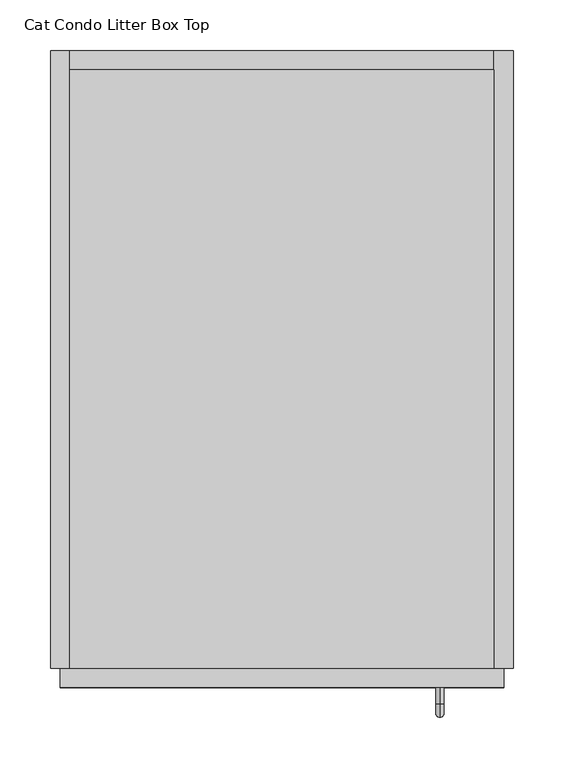
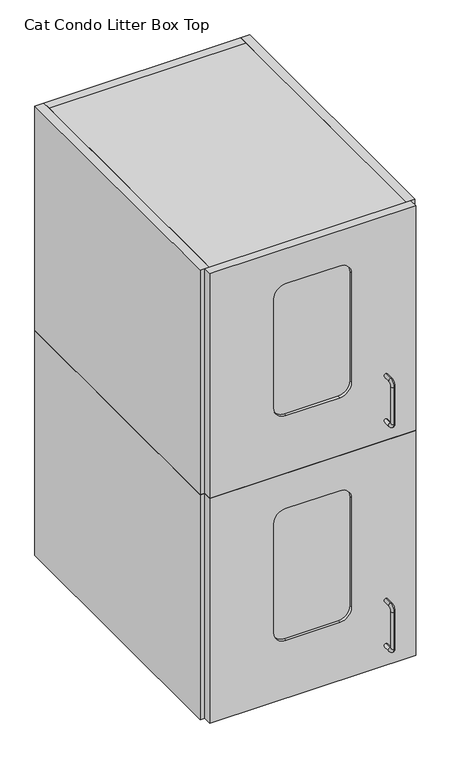
"""IFC4 building model written with IfcOpenShell, lengths in millimetres: proxy geometry, Cat Condo Litter Box Top."""

from ifc_helpers import new_model, si_unit, point, frame, frame_2d, origin, origin_with_axes, place, context, project, spatial, polyline, circle_curve, ellipse_curve, trimmed, segment, composite_curve, outline, extrude, source, transform, mapped, element, save
from ifc_brep_helpers import plane_surface, cylinder_surface, revolved_surface, advanced_brep


def cat_condo_litter_box_top_dac34a80(model_context):
    return source(origin(), model_context, "Body", "SolidModel", [
        advanced_brep(
        [(384.5819084, -19.05, 142.1243154), (384.5819084, -19.05, 149.9756846), (384.5819084, -35.2117768, 142.1243154), (384.5819084, -35.2117768, 149.9756846), (384.5819084, -48.3756846, 136.8117768), (384.5819084, -40.5243154, 136.8117768), (384.5819084, -40.5243154, 53.6882232), (384.5819084, -48.3756846, 53.6882232), (384.5819084, -35.2117768, 40.5243154), (384.5819084, -35.2117768, 48.3756846), (384.5819084, -19.05, 48.3756846), (384.5819084, -19.05, 40.5243154)],
        [
            (0, 1, circle_curve(frame((384.5819084, -19.05, 146.05), z_axis=(0.0, 1.0, 0.0), x_axis=(0.0, 0.0, 1.0)), 3.9256846)),
            (1, 0, circle_curve(frame((384.5819084, -19.05, 146.05), z_axis=(0.0, 1.0, 0.0), x_axis=(0.0, 0.0, 1.0)), 3.9256846)),
            (0, 2),
            (2, 3, circle_curve(frame((384.5819084, -35.2117768, 146.05), z_axis=(0.0, 1.0, 0.0), x_axis=(0.0, 0.0, 1.0)), 3.9256846)),
            (3, 1),
            (3, 2, circle_curve(frame((384.5819084, -35.2117768, 146.05), z_axis=(0.0, 1.0, 0.0), x_axis=(0.0, 0.0, 1.0)), 3.9256846)),
            (4, 3, circle_curve(frame((384.5819084, -35.2117768, 136.8117768), z_axis=(-1.0, 0.0, 0.0), x_axis=(0.0, 0.0, 1.0)), 13.1639078)),
            (2, 5, circle_curve(frame((384.5819084, -35.2117768, 136.8117768), z_axis=(1.0, 0.0, 0.0), x_axis=(0.0, 0.0, 1.0)), 5.3125387)),
            (5, 4, circle_curve(frame((384.5819084, -44.45, 136.8117768), z_axis=(0.0, 0.0, 1.0), x_axis=(0.0, -1.0000000000000002, 0.0)), 3.9256846)),
            (4, 5, circle_curve(frame((384.5819084, -44.45, 136.8117768), z_axis=(0.0, 0.0, 1.0), x_axis=(0.0, -1.0000000000000002, 0.0)), 3.9256846)),
            (5, 6),
            (6, 7, circle_curve(frame((384.5819084, -44.45, 53.6882232), z_axis=(0.0, 0.0, 1.0), x_axis=(0.0, -1.0000000000000002, 0.0)), 3.9256846)),
            (7, 4),
            (7, 6, circle_curve(frame((384.5819084, -44.45, 53.6882232), z_axis=(0.0, 0.0, 1.0), x_axis=(0.0, -1.0000000000000002, 0.0)), 3.9256846)),
            (8, 7, circle_curve(frame((384.5819084, -35.2117768, 53.6882232), z_axis=(-1.0, 0.0, 0.0), x_axis=(0.0, -1.0000000000000002, 0.0)), 13.1639078)),
            (6, 9, circle_curve(frame((384.5819084, -35.2117768, 53.6882232), z_axis=(1.0, 0.0, 0.0), x_axis=(0.0, -1.0000000000000002, 0.0)), 5.3125387)),
            (9, 8, circle_curve(frame((384.5819084, -35.2117768, 44.45), z_axis=(0.0, -1.0000000000000002, 0.0), x_axis=(0.0, 0.0, -1.0)), 3.9256846)),
            (8, 9, circle_curve(frame((384.5819084, -35.2117768, 44.45), z_axis=(0.0, -1.0000000000000002, 0.0), x_axis=(0.0, 0.0, -1.0)), 3.9256846)),
            (10, 11, circle_curve(frame((384.5819084, -19.05, 44.45), z_axis=(0.0, 1.0, 0.0), x_axis=(0.0, 0.0, -1.0)), 3.9256846)),
            (11, 10, circle_curve(frame((384.5819084, -19.05, 44.45), z_axis=(0.0, 1.0, 0.0), x_axis=(0.0, 0.0, -1.0)), 3.9256846)),
            (9, 10),
            (11, 8),
        ],
        [
            plane_surface(frame((384.5819084, -19.05, 146.05), z_axis=(0.0, 1.0, 0.0), x_axis=(1.0, 0.0, 0.0))),
            cylinder_surface(frame((384.5819084, -19.05, 146.05), z_axis=(0.0, 1.0000000000000002, 0.0), x_axis=(0.0, 0.0, 1.0)), 3.9256846),
            revolved_surface(trimmed(ellipse_curve(frame((384.5819084, -35.2117768, 146.05), z_axis=(0.0, 1.0000000000000002, 0.0), x_axis=(0.0, 0.0, 1.0)), 3.9256846, 3.9256846), [point((384.5819084, -35.2117768, 142.1243154))], [point((384.5819084, -35.2117768, 149.9756846))], True, "CARTESIAN"), (384.5819084, -35.2117768, 136.8117768), (1.0000000000000002, 0.0, 0.0)),
            revolved_surface(trimmed(ellipse_curve(frame((384.5819084, -35.2117768, 146.05), z_axis=(0.0, 1.0000000000000002, 0.0), x_axis=(0.0, 0.0, 1.0)), 3.9256846, 3.9256846), [point((384.5819084, -35.2117768, 149.9756846))], [point((384.5819084, -35.2117768, 142.1243154))], True, "CARTESIAN"), (384.5819084, -35.2117768, 136.8117768), (1.0000000000000002, 0.0, 0.0)),
            cylinder_surface(frame((384.5819084, -44.45, 136.8117768), z_axis=(0.0, 0.0, 1.0), x_axis=(0.0, -1.0000000000000002, 0.0)), 3.9256846),
            revolved_surface(trimmed(ellipse_curve(frame((384.5819084, -44.45, 53.6882232), z_axis=(0.0, 0.0, 1.0), x_axis=(0.0, -1.0000000000000002, 0.0)), 3.9256846, 3.9256846), [point((384.5819084, -40.5243154, 53.6882232))], [point((384.5819084, -48.3756846, 53.6882232))], True, "CARTESIAN"), (384.5819084, -35.2117768, 53.6882232), (1.0000000000000002, 0.0, 0.0)),
            revolved_surface(trimmed(ellipse_curve(frame((384.5819084, -44.45, 53.6882232), z_axis=(0.0, 0.0, 1.0), x_axis=(0.0, -1.0000000000000002, 0.0)), 3.9256846, 3.9256846), [point((384.5819084, -48.3756846, 53.6882232))], [point((384.5819084, -40.5243154, 53.6882232))], True, "CARTESIAN"), (384.5819084, -35.2117768, 53.6882232), (1.0000000000000002, 0.0, 0.0)),
            plane_surface(frame((384.5819084, -19.05, 44.45), z_axis=(0.0, 1.0, 0.0), x_axis=(1.0, 0.0, 0.0))),
            cylinder_surface(frame((384.5819084, -35.2117768, 44.45), z_axis=(0.0, -1.0000000000000002, 0.0), x_axis=(0.0, 0.0, -1.0)), 3.9256846),
        ],
        [
            (0, [[1, 2]]),
            (1, [[-1, 3, 4, 5]]),
            (1, [[-2, -5, 6, -3]]),
            (2, [[7, -4, 8, 9]]),
            (3, [[-8, -6, -7, 10]]),
            (4, [[-9, 11, 12, 13]]),
            (4, [[-10, -13, 14, -11]]),
            (5, [[15, -12, 16, 17]]),
            (6, [[-16, -14, -15, 18]]),
            (7, [[19, 20]]),
            (8, [[-17, 21, -20, 22]]),
            (8, [[-18, -22, -19, -21]]),
        ],
    ),
        extrude(outline(polyline([(438.15, 590.55), (438.15, 0.0), (19.05, 0.0), (19.05, 590.55), (438.15, 590.55)])), frame((0.0, 0.0, 487.3625), z_axis=(0.0, 0.0, 1.0), x_axis=(1.0, 0.0, 0.0)), (0.0, 0.0, 1.0), 19.05),
        extrude(outline(polyline([(438.15, 0.0), (19.05, 0.0), (19.05, 590.55), (438.15, 590.55), (438.15, 0.0)])), origin_with_axes(), (0.0, 0.0, 1.0), 19.05),
        extrude(outline(polyline([(438.15, 609.6), (457.2, 609.6), (457.2, 0.0), (438.15, 0.0), (438.15, 609.6)])), origin_with_axes(), (0.0, 0.0, 1.0), 506.4125),
        extrude(outline(polyline([(438.15, 609.6), (438.15, 590.55), (19.05, 590.55), (19.05, 609.6), (438.15, 609.6)])), origin_with_axes(), (0.0, 0.0, 1.0), 506.4125),
        extrude(outline(polyline([(19.05, 609.6), (19.05, 0.0), (0.0, 0.0), (0.0, 609.6), (19.05, 609.6)])), origin_with_axes(), (0.0, 0.0, 1.0), 506.4125),
        extrude(outline(composite_curve([segment(polyline([(427.0375, 285.75), (427.0375, 171.45)]), True, "CONTINUOUS"), segment(trimmed(circle_curve(frame_2d((401.6375, 171.45)), 25.4), [point((427.0375, 171.45))], [point((401.6375, 146.05))], False, "CARTESIAN"), True, "CONTINUOUS"), segment(polyline([(401.6375, 146.05), (155.575, 146.05)]), True, "CONTINUOUS"), segment(trimmed(circle_curve(frame_2d((155.575, 171.45)), 25.4), [point((155.575, 146.05))], [point((130.175, 171.45))], False, "CARTESIAN"), True, "CONTINUOUS"), segment(polyline([(130.175, 171.45), (130.175, 285.75)]), True, "CONTINUOUS"), segment(trimmed(circle_curve(frame_2d((155.575, 285.75)), 25.4), [point((130.175, 285.75))], [point((155.575, 311.15))], False, "CARTESIAN"), True, "CONTINUOUS"), segment(polyline([(155.575, 311.15), (401.6375, 311.15)]), True, "CONTINUOUS"), segment(trimmed(circle_curve(frame_2d((401.6375, 285.75)), 25.4), [point((401.6375, 311.15))], [point((427.0375, 285.75))], False, "CARTESIAN"), True, "CONTINUOUS")], self_intersect=False)), frame((0.0, -12.7, 0.0), z_axis=(0.0, 1.0, 0.0), x_axis=(0.0, 0.0, 1.0)), (0.0, 0.0, 1.0), 6.35),
        extrude(outline(polyline([(506.4125, 447.675), (506.4125, 9.525), (0.0, 9.525), (0.0, 447.675), (506.4125, 447.675)]), holes=[composite_curve([segment(polyline([(427.0375, 171.45), (427.0375, 285.75)]), True, "CONTINUOUS"), segment(trimmed(circle_curve(frame_2d((401.6375, 285.75)), 25.4), [point((427.0375, 285.75))], [point((401.6375, 311.15))], True, "CARTESIAN"), True, "CONTINUOUS"), segment(polyline([(401.6375, 311.15), (155.575, 311.15)]), True, "CONTINUOUS"), segment(trimmed(circle_curve(frame_2d((155.575, 285.75)), 25.4), [point((155.575, 311.15))], [point((130.175, 285.75))], True, "CARTESIAN"), True, "CONTINUOUS"), segment(polyline([(130.175, 285.75), (130.175, 171.45)]), True, "CONTINUOUS"), segment(trimmed(circle_curve(frame_2d((155.575, 171.45)), 25.4), [point((130.175, 171.45))], [point((155.575, 146.05))], True, "CARTESIAN"), True, "CONTINUOUS"), segment(polyline([(155.575, 146.05), (401.6375, 146.05)]), True, "CONTINUOUS"), segment(trimmed(circle_curve(frame_2d((401.6375, 171.45)), 25.4), [point((401.6375, 146.05))], [point((427.0375, 171.45))], True, "CARTESIAN"), True, "CONTINUOUS")], self_intersect=False)]), frame((0.0, -19.05, 0.0), z_axis=(0.0, 1.0, 0.0), x_axis=(0.0, 0.0, 1.0)), (0.0, 0.0, 1.0), 19.05),
        advanced_brep(
        [(384.5819084, -19.05, 648.5368154), (384.5819084, -19.05, 656.3881846), (384.5819084, -35.2117768, 648.5368154), (384.5819084, -35.2117768, 656.3881846), (384.5819084, -48.3756846, 643.2242768), (384.5819084, -40.5243154, 643.2242768), (384.5819084, -40.5243154, 560.1007232), (384.5819084, -48.3756846, 560.1007232), (384.5819084, -35.2117768, 546.9368154), (384.5819084, -35.2117768, 554.7881846), (384.5819084, -19.05, 554.7881846), (384.5819084, -19.05, 546.9368154)],
        [
            (0, 1, circle_curve(frame((384.5819084, -19.05, 652.4625), z_axis=(0.0, 1.0, 0.0), x_axis=(0.0, 0.0, 1.0)), 3.9256846)),
            (1, 0, circle_curve(frame((384.5819084, -19.05, 652.4625), z_axis=(0.0, 1.0, 0.0), x_axis=(0.0, 0.0, 1.0)), 3.9256846)),
            (0, 2),
            (2, 3, circle_curve(frame((384.5819084, -35.2117768, 652.4625), z_axis=(0.0, 1.0, 0.0), x_axis=(0.0, 0.0, 1.0)), 3.9256846)),
            (3, 1),
            (3, 2, circle_curve(frame((384.5819084, -35.2117768, 652.4625), z_axis=(0.0, 1.0, 0.0), x_axis=(0.0, 0.0, 1.0)), 3.9256846)),
            (4, 3, circle_curve(frame((384.5819084, -35.2117768, 643.2242768), z_axis=(-1.0, 0.0, 0.0), x_axis=(0.0, 0.0, 1.0)), 13.1639078)),
            (2, 5, circle_curve(frame((384.5819084, -35.2117768, 643.2242768), z_axis=(1.0, 0.0, 0.0), x_axis=(0.0, 0.0, 1.0)), 5.3125387)),
            (5, 4, circle_curve(frame((384.5819084, -44.45, 643.2242768), z_axis=(0.0, 0.0, 1.0), x_axis=(0.0, -1.0000000000000002, 0.0)), 3.9256846)),
            (4, 5, circle_curve(frame((384.5819084, -44.45, 643.2242768), z_axis=(0.0, 0.0, 1.0), x_axis=(0.0, -1.0000000000000002, 0.0)), 3.9256846)),
            (5, 6),
            (6, 7, circle_curve(frame((384.5819084, -44.45, 560.1007232), z_axis=(0.0, 0.0, 1.0), x_axis=(0.0, -1.0000000000000002, 0.0)), 3.9256846)),
            (7, 4),
            (7, 6, circle_curve(frame((384.5819084, -44.45, 560.1007232), z_axis=(0.0, 0.0, 1.0), x_axis=(0.0, -1.0000000000000002, 0.0)), 3.9256846)),
            (8, 7, circle_curve(frame((384.5819084, -35.2117768, 560.1007232), z_axis=(-1.0, 0.0, 0.0), x_axis=(0.0, -1.0000000000000002, 0.0)), 13.1639078)),
            (6, 9, circle_curve(frame((384.5819084, -35.2117768, 560.1007232), z_axis=(1.0, 0.0, 0.0), x_axis=(0.0, -1.0000000000000002, 0.0)), 5.3125387)),
            (9, 8, circle_curve(frame((384.5819084, -35.2117768, 550.8625), z_axis=(0.0, -1.0000000000000002, 0.0), x_axis=(0.0, 0.0, -1.0)), 3.9256846)),
            (8, 9, circle_curve(frame((384.5819084, -35.2117768, 550.8625), z_axis=(0.0, -1.0000000000000002, 0.0), x_axis=(0.0, 0.0, -1.0)), 3.9256846)),
            (10, 11, circle_curve(frame((384.5819084, -19.05, 550.8625), z_axis=(0.0, 1.0, 0.0), x_axis=(0.0, 0.0, -1.0)), 3.9256846)),
            (11, 10, circle_curve(frame((384.5819084, -19.05, 550.8625), z_axis=(0.0, 1.0, 0.0), x_axis=(0.0, 0.0, -1.0)), 3.9256846)),
            (9, 10),
            (11, 8),
        ],
        [
            plane_surface(frame((384.5819084, -19.05, 652.4625), z_axis=(0.0, 1.0, 0.0), x_axis=(1.0, 0.0, 0.0))),
            cylinder_surface(frame((384.5819084, -19.05, 652.4625), z_axis=(0.0, 1.0000000000000002, 0.0), x_axis=(0.0, 0.0, 1.0)), 3.9256846),
            revolved_surface(trimmed(ellipse_curve(frame((384.5819084, -35.2117768, 652.4625), z_axis=(0.0, 1.0000000000000002, 0.0), x_axis=(0.0, 0.0, 1.0)), 3.9256846, 3.9256846), [point((384.5819084, -35.2117768, 648.5368154))], [point((384.5819084, -35.2117768, 656.3881846))], True, "CARTESIAN"), (384.5819084, -35.2117768, 643.2242768), (1.0000000000000002, 0.0, 0.0)),
            revolved_surface(trimmed(ellipse_curve(frame((384.5819084, -35.2117768, 652.4625), z_axis=(0.0, 1.0000000000000002, 0.0), x_axis=(0.0, 0.0, 1.0)), 3.9256846, 3.9256846), [point((384.5819084, -35.2117768, 656.3881846))], [point((384.5819084, -35.2117768, 648.5368154))], True, "CARTESIAN"), (384.5819084, -35.2117768, 643.2242768), (1.0000000000000002, 0.0, 0.0)),
            cylinder_surface(frame((384.5819084, -44.45, 643.2242768), z_axis=(0.0, 0.0, 1.0), x_axis=(0.0, -1.0000000000000002, 0.0)), 3.9256846),
            revolved_surface(trimmed(ellipse_curve(frame((384.5819084, -44.45, 560.1007232), z_axis=(0.0, 0.0, 1.0), x_axis=(0.0, -1.0000000000000002, 0.0)), 3.9256846, 3.9256846), [point((384.5819084, -40.5243154, 560.1007232))], [point((384.5819084, -48.3756846, 560.1007232))], True, "CARTESIAN"), (384.5819084, -35.2117768, 560.1007232), (1.0000000000000002, 0.0, 0.0)),
            revolved_surface(trimmed(ellipse_curve(frame((384.5819084, -44.45, 560.1007232), z_axis=(0.0, 0.0, 1.0), x_axis=(0.0, -1.0000000000000002, 0.0)), 3.9256846, 3.9256846), [point((384.5819084, -48.3756846, 560.1007232))], [point((384.5819084, -40.5243154, 560.1007232))], True, "CARTESIAN"), (384.5819084, -35.2117768, 560.1007232), (1.0000000000000002, 0.0, 0.0)),
            plane_surface(frame((384.5819084, -19.05, 550.8625), z_axis=(0.0, 1.0, 0.0), x_axis=(1.0, 0.0, 0.0))),
            cylinder_surface(frame((384.5819084, -35.2117768, 550.8625), z_axis=(0.0, -1.0000000000000002, 0.0), x_axis=(0.0, 0.0, -1.0)), 3.9256846),
        ],
        [
            (0, [[1, 2]]),
            (1, [[-1, 3, 4, 5]]),
            (1, [[-2, -5, 6, -3]]),
            (2, [[7, -4, 8, 9]]),
            (3, [[-8, -6, -7, 10]]),
            (4, [[-9, 11, 12, 13]]),
            (4, [[-10, -13, 14, -11]]),
            (5, [[15, -12, 16, 17]]),
            (6, [[-16, -14, -15, 18]]),
            (7, [[19, 20]]),
            (8, [[-17, 21, -20, 22]]),
            (8, [[-18, -22, -19, -21]]),
        ],
    ),
        extrude(outline(polyline([(438.15, 590.55), (438.15, 0.0), (19.05, 0.0), (19.05, 590.55), (438.15, 590.55)])), frame((0.0, 0.0, 993.775), z_axis=(0.0, 0.0, 1.0), x_axis=(1.0, 0.0, 0.0)), (0.0, 0.0, 1.0), 19.05),
        extrude(outline(polyline([(438.15, 0.0), (19.05, 0.0), (19.05, 590.55), (438.15, 590.55), (438.15, 0.0)])), frame((0.0, 0.0, 506.4125), z_axis=(0.0, 0.0, 1.0), x_axis=(1.0, 0.0, 0.0)), (0.0, 0.0, 1.0), 19.05),
        extrude(outline(polyline([(438.15, 609.6), (457.2, 609.6), (457.2, 0.0), (438.15, 0.0), (438.15, 609.6)])), frame((0.0, 0.0, 506.4125), z_axis=(0.0, 0.0, 1.0), x_axis=(1.0, 0.0, 0.0)), (0.0, 0.0, 1.0), 506.4125),
        extrude(outline(polyline([(438.15, 609.6), (438.15, 590.55), (19.05, 590.55), (19.05, 609.6), (438.15, 609.6)])), frame((0.0, 0.0, 506.4125), z_axis=(0.0, 0.0, 1.0), x_axis=(1.0, 0.0, 0.0)), (0.0, 0.0, 1.0), 506.4125),
        extrude(outline(polyline([(19.05, 609.6), (19.05, 0.0), (0.0, 0.0), (0.0, 609.6), (19.05, 609.6)])), frame((0.0, 0.0, 506.4125), z_axis=(0.0, 0.0, 1.0), x_axis=(1.0, 0.0, 0.0)), (0.0, 0.0, 1.0), 506.4125),
        extrude(outline(composite_curve([segment(polyline([(933.45, 285.75), (933.45, 171.45)]), True, "CONTINUOUS"), segment(trimmed(circle_curve(frame_2d((908.05, 171.45)), 25.4), [point((933.45, 171.45))], [point((908.05, 146.05))], False, "CARTESIAN"), True, "CONTINUOUS"), segment(polyline([(908.05, 146.05), (661.9875, 146.05)]), True, "CONTINUOUS"), segment(trimmed(circle_curve(frame_2d((661.9875, 171.45)), 25.4), [point((661.9875, 146.05))], [point((636.5875, 171.45))], False, "CARTESIAN"), True, "CONTINUOUS"), segment(polyline([(636.5875, 171.45), (636.5875, 285.75)]), True, "CONTINUOUS"), segment(trimmed(circle_curve(frame_2d((661.9875, 285.75)), 25.4), [point((636.5875, 285.75))], [point((661.9875, 311.15))], False, "CARTESIAN"), True, "CONTINUOUS"), segment(polyline([(661.9875, 311.15), (908.05, 311.15)]), True, "CONTINUOUS"), segment(trimmed(circle_curve(frame_2d((908.05, 285.75)), 25.4), [point((908.05, 311.15))], [point((933.45, 285.75))], False, "CARTESIAN"), True, "CONTINUOUS")], self_intersect=False)), frame((0.0, -12.7, 0.0), z_axis=(0.0, 1.0, 0.0), x_axis=(0.0, 0.0, 1.0)), (0.0, 0.0, 1.0), 6.35),
        extrude(outline(polyline([(1012.825, 447.675), (1012.825, 9.525), (506.4125, 9.525), (506.4125, 447.675), (1012.825, 447.675)]), holes=[composite_curve([segment(polyline([(933.45, 171.45), (933.45, 285.75)]), True, "CONTINUOUS"), segment(trimmed(circle_curve(frame_2d((908.05, 285.75)), 25.4), [point((933.45, 285.75))], [point((908.05, 311.15))], True, "CARTESIAN"), True, "CONTINUOUS"), segment(polyline([(908.05, 311.15), (661.9875, 311.15)]), True, "CONTINUOUS"), segment(trimmed(circle_curve(frame_2d((661.9875, 285.75)), 25.4), [point((661.9875, 311.15))], [point((636.5875, 285.75))], True, "CARTESIAN"), True, "CONTINUOUS"), segment(polyline([(636.5875, 285.75), (636.5875, 171.45)]), True, "CONTINUOUS"), segment(trimmed(circle_curve(frame_2d((661.9875, 171.45)), 25.4), [point((636.5875, 171.45))], [point((661.9875, 146.05))], True, "CARTESIAN"), True, "CONTINUOUS"), segment(polyline([(661.9875, 146.05), (908.05, 146.05)]), True, "CONTINUOUS"), segment(trimmed(circle_curve(frame_2d((908.05, 171.45)), 25.4), [point((908.05, 146.05))], [point((933.45, 171.45))], True, "CARTESIAN"), True, "CONTINUOUS")], self_intersect=False)]), frame((0.0, -19.05, 0.0), z_axis=(0.0, 1.0, 0.0), x_axis=(0.0, 0.0, 1.0)), (0.0, 0.0, 1.0), 19.05),
    ])


if __name__ == "__main__":
    model = new_model("IFC4")
    model_context = context("Model", 3, world=origin())
    ifc_project = project(units=[si_unit("LENGTHUNIT", "METRE", prefix="MILLI")], contexts=[model_context])
    site = spatial("IfcSite", under=ifc_project)
    building = spatial("IfcBuilding", under=site)
    placement = place(None, origin())
    cat_condo_litter_box_top_shape = cat_condo_litter_box_top_dac34a80(model_context)
    element("IfcBuildingElementProxy", 1, Name="Cat Condo Litter Box Top", ObjectType="Cat Condo Litter Box Top", at=placement, inside=building, context=model_context, shape_type="MappedRepresentation", body=[
        mapped(cat_condo_litter_box_top_shape, transform((0.0, 0.0, 0.0), x_axis=(1.0, 0.0, 0.0), y_axis=(0.0, 1.0, 0.0), z_axis=(0.0, 0.0, 1.0))),
    ])
    save(model, "model.ifc")
